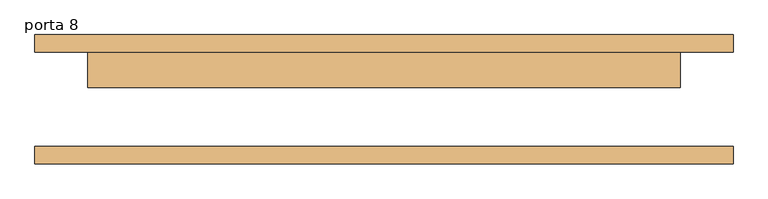
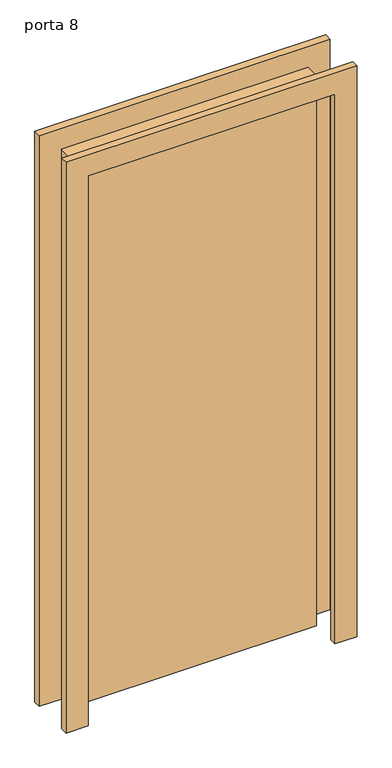
"""IFC4 building model written with IfcOpenShell, lengths in millimetres: door geometry, porta 8."""

from ifc_helpers import new_model, si_unit, frame, origin, origin_with_axes, place, context, project, spatial, polyline, outline, extrude, source, transform, mapped, element, save


def porta_8_99b4d391(model_context):
    return source(origin(), model_context, "Body", "SweptSolid", [
        extrude(outline(polyline([(2076.0, -501.0), (0.0, -501.0), (0.0, -425.0), (2000.0, -425.0), (2000.0, 425.0), (0.0, 425.0), (0.0, 501.0), (2076.0, 501.0), (2076.0, -501.0)])), frame((0.0, 67.75, 0.0), z_axis=(0.0, 1.0, 0.0), x_axis=(0.0, 0.0, 1.0)), (0.0, 0.0, 1.0), 25.0),
        extrude(outline(polyline([(2076.0, 501.0), (2076.0, -501.0), (0.0, -501.0), (0.0, -425.0), (2000.0, -425.0), (2000.0, 425.0), (0.0, 425.0), (0.0, 501.0), (2076.0, 501.0)])), frame((0.0, -92.75, 0.0), z_axis=(0.0, 1.0, 0.0), x_axis=(0.0, 0.0, 1.0)), (0.0, 0.0, 1.0), 25.0),
        extrude(outline(polyline([(425.0, 16.75), (-425.0, 16.75), (-425.0, 67.75), (425.0, 67.75), (425.0, 16.75)])), origin_with_axes(), (0.0, 0.0, 1.0), 2000.0),
    ])


if __name__ == "__main__":
    model = new_model("IFC4")
    model_context = context("Model", 3, world=origin())
    ifc_project = project(units=[si_unit("LENGTHUNIT", "METRE", prefix="MILLI")], contexts=[model_context])
    site = spatial("IfcSite", under=ifc_project)
    building = spatial("IfcBuilding", under=site)
    placement = place(None, origin())
    porta_8_shape = porta_8_99b4d391(model_context)
    element("IfcDoor", 1, ObjectType="porta 8", at=placement, inside=building, context=model_context, shape_type="MappedRepresentation", body=[
        mapped(porta_8_shape, transform((0.0, 0.0, 0.0), x_axis=(1.0, 0.0, 0.0), y_axis=(0.0, 1.0, 0.0), z_axis=(0.0, 0.0, 1.0))),
    ])
    save(model, "model.ifc")
